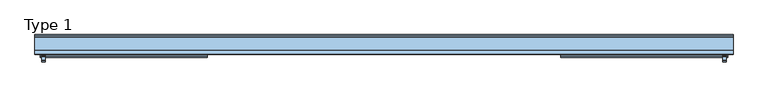
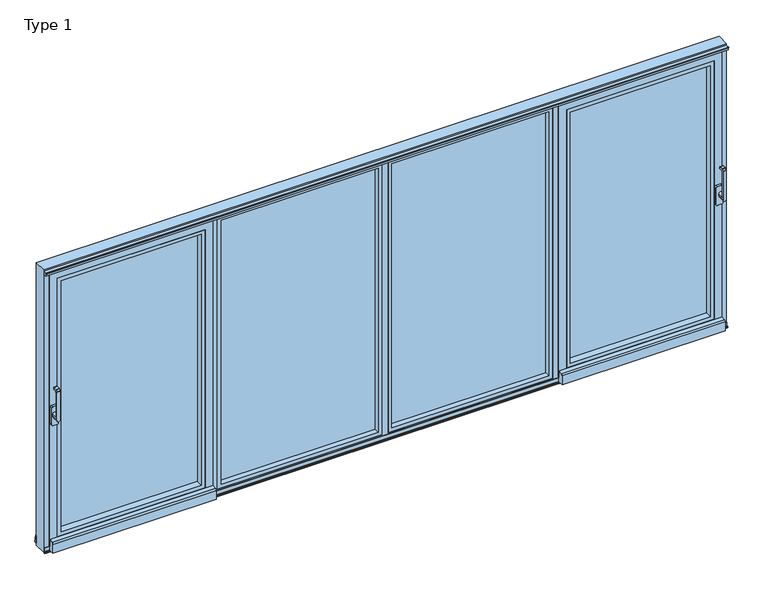
"""IFC4 building model written with IfcOpenShell, lengths in millimetres: window geometry, Type 1."""

from ifc_helpers import new_model, si_unit, point, frame, frame_2d, origin, place, context, project, spatial, polyline, circle_curve, trimmed, segment, composite_curve, outline, extrude, faceted_brep, source, transform, mapped, element, save
from ifc_brep_helpers import plane_surface, cylinder_surface, revolved_surface, advanced_brep


def type_1_f59e09ca(model_context):
    return source(origin(), model_context, "Body", "SolidModel", [
        advanced_brep(
        [(-2441.5, -24.481016, 1279.4856576), (-2441.5, -24.481016, 1060.0), (-2417.5, -24.481016, 1060.0), (-2417.5, -24.481016, 1279.4856576), (-2441.5, 31.000412, 1060.0), (-2441.5, 31.000412, 1076.0), (-2417.5, 31.000412, 1076.0), (-2417.5, 31.000412, 1060.0), (-2417.5, -12.481016, 1269.8990577), (-2417.5, -12.481016, 1076.0), (-2441.5, -12.481016, 1076.0), (-2441.5, -12.481016, 1269.8990577), (-2441.5, -5.130356, 1277.2497177), (-2417.5, -5.130356, 1277.2497177), (-2441.5, 15.518984, 1277.2497177), (-2417.5, 15.518984, 1277.2497177), (-2441.5, 17.518984, 1279.2497177), (-2417.5, 17.518984, 1279.2497177), (-2441.5, 17.518984, 1290.2497177), (-2417.5, 17.518984, 1290.2497177), (-2441.5, 15.518984, 1292.2497177), (-2417.5, 15.518984, 1292.2497177), (-2441.5, -11.7169559, 1292.2497177), (-2417.5, -11.7169559, 1292.2497177), (-2441.5, -13.1311695, 1291.6639313), (-2417.5, -13.1311695, 1291.6639313), (-2441.5, -23.8952296, 1280.8998712), (-2417.5, -23.8952296, 1280.8998712)],
        [
            (0, 1),
            (1, 2, circle_curve(frame((-2429.5, -24.481016, 1060.0), z_axis=(0.0, -1.0, 0.0), x_axis=(-1.0000000000000004, 0.0, 0.0)), 12.0)),
            (2, 3),
            (3, 0),
            (4, 5),
            (5, 6, circle_curve(frame((-2429.5, 31.000412, 1076.0), z_axis=(0.0, 1.0, 0.0), x_axis=(-1.0000000000000004, 0.0, 0.0)), 12.0)),
            (6, 7),
            (7, 4, circle_curve(frame((-2429.5, 31.000412, 1060.0), z_axis=(0.0, 1.0, 0.0), x_axis=(-1.0000000000000004, 0.0, 0.0)), 12.0)),
            (7, 2),
            (1, 4),
            (8, 9),
            (9, 10, circle_curve(frame((-2429.5, -12.481016, 1076.0), z_axis=(0.0, -1.0, 0.0), x_axis=(-1.0000000000000004, 0.0, 0.0)), 12.0)),
            (10, 11),
            (11, 8),
            (12, 13),
            (13, 8, circle_curve(frame((-2417.5, -5.130356, 1269.8990577), z_axis=(1.0, 0.0, 0.0), x_axis=(0.0, 0.0, -1.0)), 7.35066)),
            (11, 12, circle_curve(frame((-2441.5, -5.130356, 1269.8990577), z_axis=(-1.0, 0.0, 0.0), x_axis=(0.0, 0.0, -1.0)), 7.35066)),
            (14, 15),
            (15, 13),
            (12, 14),
            (16, 17),
            (17, 15, circle_curve(frame((-2417.5, 15.518984, 1279.2497177), z_axis=(-1.0, 0.0, 0.0), x_axis=(0.0, 0.0, -1.0)), 2.0)),
            (14, 16, circle_curve(frame((-2441.5, 15.518984, 1279.2497177), z_axis=(1.0, 0.0, 0.0), x_axis=(0.0, 0.0, -1.0)), 2.0)),
            (18, 19),
            (19, 17),
            (16, 18),
            (20, 21),
            (21, 19, circle_curve(frame((-2417.5, 15.518984, 1290.2497177), z_axis=(-1.0, 0.0, 0.0), x_axis=(0.0, 0.0, -1.0)), 2.0)),
            (18, 20, circle_curve(frame((-2441.5, 15.518984, 1290.2497177), z_axis=(1.0, 0.0, 0.0), x_axis=(0.0, 0.0, -1.0)), 2.0)),
            (22, 23),
            (23, 21),
            (20, 22),
            (24, 25),
            (25, 23, circle_curve(frame((-2417.5, -11.7169559, 1290.2497177), z_axis=(-1.0, 0.0, 0.0), x_axis=(0.0, 0.0, -1.0)), 2.0)),
            (22, 24, circle_curve(frame((-2441.5, -11.7169559, 1290.2497177), z_axis=(1.0, 0.0, 0.0), x_axis=(0.0, 0.0, -1.0)), 2.0)),
            (26, 27),
            (27, 25),
            (24, 26),
            (3, 27, circle_curve(frame((-2417.5, -22.481016, 1279.4856576), z_axis=(-1.0, 0.0, 0.0), x_axis=(0.0, 0.0, -1.0)), 2.0)),
            (26, 0, circle_curve(frame((-2441.5, -22.481016, 1279.4856576), z_axis=(1.0, 0.0, 0.0), x_axis=(0.0, 0.0, -1.0)), 2.0)),
            (10, 5),
            (9, 6),
        ],
        [
            plane_surface(frame((-2441.5, -24.481016, 1078.0), z_axis=(0.0, -1.0, 0.0), x_axis=(0.0, 0.0, 1.0))),
            plane_surface(frame((-2441.5, 31.000412, 1078.0), z_axis=(0.0, 1.0, 0.0), x_axis=(0.0, 0.0, -1.0))),
            cylinder_surface(frame((-2429.5, 31.000412, 1060.0), z_axis=(0.0, -1.0000000000000004, 0.0), x_axis=(-1.0000000000000004, 0.0, 0.0)), 12.0),
            plane_surface(frame((-2441.5, -12.481016, 1060.0), z_axis=(0.0, 1.0, 0.0), x_axis=(1.0, 0.0, 0.0))),
            revolved_surface(polyline([(-2417.5, -5.130356, 1262.5483977), (-2441.5, -5.130356, 1262.5483977)]), (-2417.5, -5.130356, 1269.8990577), (1.0000000000000004, 0.0, 0.0)),
            plane_surface(frame((-2441.5, -5.130356, 1277.2497177), z_axis=(0.0, 0.0, -1.0), x_axis=(1.0, 0.0, 0.0))),
            cylinder_surface(frame((-2417.5, 15.518984, 1279.2497177), z_axis=(-1.0000000000000004, 0.0, 0.0), x_axis=(0.0, 0.0, -1.0)), 2.0),
            plane_surface(frame((-2441.5, 17.518984, 1279.2497177), z_axis=(0.0, 1.0, 0.0), x_axis=(1.0, 0.0, 0.0))),
            cylinder_surface(frame((-2417.5, 15.518984, 1290.2497177), z_axis=(-1.0000000000000004, 0.0, 0.0), x_axis=(0.0, 0.0, -1.0)), 2.0),
            plane_surface(frame((-2441.5, 15.518984, 1292.2497177), z_axis=(0.0, 0.0, 1.0), x_axis=(1.0, 0.0, 0.0))),
            cylinder_surface(frame((-2417.5, -11.7169559, 1290.2497177), z_axis=(-1.0000000000000004, 0.0, 0.0), x_axis=(0.0, 0.0, -1.0)), 2.0),
            plane_surface(frame((-2441.5, -13.1311695, 1291.6639313), z_axis=(0.0, -0.7071067811865431, 0.7071067811865518), x_axis=(1.0, 0.0, 0.0))),
            cylinder_surface(frame((-2417.5, -22.481016, 1279.4856576), z_axis=(-1.0000000000000004, 0.0, 0.0), x_axis=(0.0, 0.0, -1.0)), 2.0),
            plane_surface(frame((-2441.5, -24.481016, 1060.0), z_axis=(-1.0, 0.0, 0.0), x_axis=(0.0, 1.0, 0.0))),
            cylinder_surface(frame((-2429.5, 31.000412, 1076.0), z_axis=(0.0, -1.0000000000000004, 0.0), x_axis=(-1.0000000000000004, 0.0, 0.0)), 12.0),
            plane_surface(frame((-2417.5, -24.481016, 1076.0), z_axis=(1.0, 0.0, 0.0), x_axis=(0.0, 1.0, 0.0))),
        ],
        [
            (0, [[1, 2, 3, 4]]),
            (1, [[5, 6, 7, 8]]),
            (2, [[-8, 9, -2, 10]]),
            (3, [[11, 12, 13, 14]]),
            (4, [[15, 16, -14, 17]]),
            (5, [[18, 19, -15, 20]]),
            (6, [[21, 22, -18, 23]]),
            (7, [[24, 25, -21, 26]]),
            (8, [[27, 28, -24, 29]]),
            (9, [[30, 31, -27, 32]]),
            (10, [[33, 34, -30, 35]]),
            (11, [[36, 37, -33, 38]]),
            (12, [[-4, 39, -36, 40]]),
            (13, [[-40, -38, -35, -32, -29, -26, -23, -20, -17, -13, 41, -5, -10, -1]]),
            (14, [[-41, -12, 42, -6]]),
            (15, [[-9, -7, -42, -11, -16, -19, -22, -25, -28, -31, -34, -37, -39, -3]]),
        ],
    ),
        extrude(outline(composite_curve([segment(trimmed(circle_curve(frame_2d((1124.8499908, -2440.4500122)), 7.0), [point((1131.8499908, -2440.4500122))], [point((1124.8499908, -2447.4500122))], False, "CARTESIAN"), True, "CONTINUOUS"), segment(polyline([(1124.8499908, -2447.4500122), (995.1500092, -2447.4500122)]), True, "CONTINUOUS"), segment(trimmed(circle_curve(frame_2d((995.1500092, -2440.4500122)), 7.0), [point((995.1500092, -2447.4500122))], [point((988.1500092, -2440.4500122))], False, "CARTESIAN"), True, "CONTINUOUS"), segment(polyline([(988.1500092, -2440.4500122), (988.1500092, -2406.5499878)]), True, "CONTINUOUS"), segment(trimmed(circle_curve(frame_2d((995.1500092, -2406.5499878)), 7.0), [point((988.1500092, -2406.5499878))], [point((995.1500092, -2399.5499878))], False, "CARTESIAN"), True, "CONTINUOUS"), segment(polyline([(995.1500092, -2399.5499878), (1124.8499908, -2399.5499878)]), True, "CONTINUOUS"), segment(trimmed(circle_curve(frame_2d((1124.8499908, -2406.5499878)), 7.0), [point((1124.8499908, -2399.5499878))], [point((1131.8499908, -2406.5499878))], False, "CARTESIAN"), True, "CONTINUOUS"), segment(polyline([(1131.8499908, -2406.5499878), (1131.8499908, -2440.4500122)]), True, "CONTINUOUS")], self_intersect=False)), frame((0.0, 31.000412, 0.0), z_axis=(0.0, 1.0, 0.0), x_axis=(0.0, 0.0, 1.0)), (0.0, 0.0, 1.0), 18.9999542),
        extrude(outline(polyline([(2095.0004272, -1317.9995728), (2095.0004272, -2395.0004272), (104.9995728, -2395.0004272), (104.9995728, -1317.9995728), (2095.0004272, -1317.9995728)]), holes=[polyline([(131.9995728, -1344.9995728), (131.9995728, -2368.0004272), (2068.0004272, -2368.0004272), (2068.0004272, -1344.9995728), (131.9995728, -1344.9995728)])]), frame((0.0, 50.0003662, 0.0), z_axis=(0.0, 1.0, 0.0), x_axis=(0.0, 0.0, 1.0)), (0.0, 0.0, 1.0), 50.9995338),
        extrude(outline(polyline([(-1325.999939, 101.0004798), (-2387.000061, 101.0004798), (-2387.000061, 139.0004798), (-1325.999939, 139.0004798), (-1325.999939, 101.0004798)])), frame((0.0, 0.0, 112.999939), z_axis=(0.0, 0.0, 1.0), x_axis=(1.0, 0.0, 0.0)), (0.0, 0.0, 1.0), 1974.0001221),
        faceted_brep([(-2395.0004272, 101.0004798, 2095.0004272), (-2395.0004272, 50.0003662, 2095.0004272), (-2395.0004272, 50.0003662, 104.9995728), (-2395.0004272, 101.0004798, 104.9995728), (-2451.0004272, 50.0003662, 48.9995728), (-1261.9995728, 50.0003662, 48.9995728), (-1261.9995728, 50.0003662, 2151.0004272), (-2451.0004272, 50.0003662, 2151.0004272), (-1317.9995728, 50.0003662, 2095.0004272), (-1317.9995728, 50.0003662, 104.9995728), (-1317.9995728, 101.0004798, 104.9995728), (-1317.9995728, 101.0004798, 2095.0004272), (-2387.000061, 101.0004798, 2087.000061), (-1325.999939, 101.0004798, 2087.000061), (-1325.999939, 101.0004798, 112.999939), (-2387.000061, 101.0004798, 112.999939), (-2387.000061, 139.0004798, 2087.000061), (-2387.000061, 139.0004798, 112.999939), (-1325.999939, 139.0004798, 112.999939), (-1325.999939, 139.0004798, 2087.000061), (-2373.0004272, 139.0004798, 2073.0004272), (-1339.9995728, 139.0004798, 2073.0004272), (-1339.9995728, 139.0004798, 126.9995728), (-2373.0004272, 139.0004798, 126.9995728), (-2373.0004272, 150.0008469, 2073.0004272), (-2373.0004272, 150.0008469, 126.9995728), (-1339.9995728, 150.0008469, 126.9995728), (-2409.001666, 150.0008469, 2109.001666), (-1303.998334, 150.0008469, 2109.001666), (-1303.998334, 150.0008469, 90.998334), (-2409.001666, 150.0008469, 90.998334), (-1339.9995728, 150.0008469, 2073.0004272), (-2409.001666, 145.0008469, 90.998334), (-1303.998334, 145.0008469, 90.998334), (-1303.998334, 145.0008469, 2109.001666), (-2431.0004272, 145.0008469, 2131.0004272), (-1281.9995728, 145.0008469, 2131.0004272), (-1281.9995728, 145.0008469, 68.9995728), (-2431.0004272, 145.0008469, 68.9995728), (-2409.001666, 145.0008469, 2109.001666), (-2431.0004272, 60.0, 68.9995728), (-1281.9995728, 60.0, 68.9995728), (-1281.9995728, 60.0, 2131.0004272), (-2451.0004272, 60.0, 2151.0004272), (-1261.9995728, 60.0, 2151.0004272), (-1261.9995728, 60.0, 48.9995728), (-2451.0004272, 60.0, 48.9995728), (-2431.0004272, 60.0, 2131.0004272)], [[[0, 1, 2, 3]], [[4, 5, 6, 7], [1, 8, 9, 2]], [[3, 2, 9, 10]], [[3, 10, 11, 0], [12, 13, 14, 15]], [[16, 12, 15, 17]], [[17, 15, 14, 18]], [[17, 18, 19, 16], [20, 21, 22, 23]], [[24, 20, 23, 25]], [[25, 23, 22, 26]], [[27, 28, 29, 30], [25, 26, 31, 24]], [[10, 9, 8, 11]], [[18, 14, 13, 19]], [[26, 22, 21, 31]], [[32, 30, 29, 33]], [[33, 29, 28, 34]], [[35, 36, 37, 38], [32, 33, 34, 39]], [[40, 38, 37, 41]], [[41, 37, 36, 42]], [[43, 44, 45, 46], [40, 41, 42, 47]], [[4, 46, 45, 5]], [[5, 45, 44, 6]], [[11, 8, 1, 0]], [[19, 13, 12, 16]], [[31, 21, 20, 24]], [[34, 28, 27, 39]], [[42, 36, 35, 47]], [[6, 44, 43, 7]], [[39, 27, 30, 32]], [[47, 35, 38, 40]], [[7, 43, 46, 4]]]),
        extrude(outline(composite_curve([segment(polyline([(19.7435257, 99.4362874), (50.0003662, 102.0834169), (50.0003662, 19.2739514), (9.1103627, 19.2739514), (9.1103627, 87.8322266)]), True, "CONTINUOUS"), segment(trimmed(circle_curve(frame_2d((20.7587491, 87.8322266)), 11.6483864), [point((9.1103627, 87.8322266))], [point((19.7435257, 99.4362874))], False, "CARTESIAN"), True, "CONTINUOUS")], self_intersect=False)), frame((-2451.0004272, 0.0, 0.0), z_axis=(1.0, 0.0, 0.0), x_axis=(0.0, 1.0, 0.0)), (0.0, 0.0, 1.0), 1189.0008545),
        advanced_brep(
        [(2441.5, -24.481016, 1279.4856576), (2417.5, -24.481016, 1279.4856576), (2417.5, -24.481016, 1060.0), (2441.5, -24.481016, 1060.0), (2441.5, 31.000412, 1060.0), (2417.5, 31.000412, 1060.0), (2417.5, 31.000412, 1076.0), (2441.5, 31.000412, 1076.0), (2417.5, -12.481016, 1269.8990577), (2441.5, -12.481016, 1269.8990577), (2441.5, -12.481016, 1076.0), (2417.5, -12.481016, 1076.0), (2441.5, -5.130356, 1277.2497177), (2417.5, -5.130356, 1277.2497177), (2441.5, 15.518984, 1277.2497177), (2417.5, 15.518984, 1277.2497177), (2441.5, 17.518984, 1279.2497177), (2417.5, 17.518984, 1279.2497177), (2441.5, 17.518984, 1290.2497177), (2417.5, 17.518984, 1290.2497177), (2441.5, 15.518984, 1292.2497177), (2417.5, 15.518984, 1292.2497177), (2441.5, -11.7169559, 1292.2497177), (2417.5, -11.7169559, 1292.2497177), (2441.5, -13.1311695, 1291.6639313), (2417.5, -13.1311695, 1291.6639313), (2441.5, -23.8952296, 1280.8998712), (2417.5, -23.8952296, 1280.8998712)],
        [
            (0, 1),
            (1, 2),
            (2, 3, circle_curve(frame((2429.5, -24.481016, 1060.0), z_axis=(0.0, -1.0, 0.0), x_axis=(1.0000000000000004, 0.0, 0.0)), 12.0)),
            (3, 0),
            (4, 5, circle_curve(frame((2429.5, 31.000412, 1060.0), z_axis=(0.0, 1.0, 0.0), x_axis=(1.0000000000000004, 0.0, 0.0)), 12.0)),
            (5, 6),
            (6, 7, circle_curve(frame((2429.5, 31.000412, 1076.0), z_axis=(0.0, 1.0, 0.0), x_axis=(1.0000000000000004, 0.0, 0.0)), 12.0)),
            (7, 4),
            (4, 3),
            (2, 5),
            (8, 9),
            (9, 10),
            (10, 11, circle_curve(frame((2429.5, -12.481016, 1076.0), z_axis=(0.0, -1.0, 0.0), x_axis=(1.0000000000000004, 0.0, 0.0)), 12.0)),
            (11, 8),
            (12, 9, circle_curve(frame((2441.5, -5.130356, 1269.8990577), z_axis=(1.0, 0.0, 0.0), x_axis=(0.0, 0.0, -1.0)), 7.35066)),
            (8, 13, circle_curve(frame((2417.5, -5.130356, 1269.8990577), z_axis=(-1.0, 0.0, 0.0), x_axis=(0.0, 0.0, -1.0)), 7.35066)),
            (13, 12),
            (14, 12),
            (13, 15),
            (15, 14),
            (16, 14, circle_curve(frame((2441.5, 15.518984, 1279.2497177), z_axis=(-1.0, 0.0, 0.0), x_axis=(0.0, 0.0, -1.0)), 2.0)),
            (15, 17, circle_curve(frame((2417.5, 15.518984, 1279.2497177), z_axis=(1.0, 0.0, 0.0), x_axis=(0.0, 0.0, -1.0)), 2.0)),
            (17, 16),
            (18, 16),
            (17, 19),
            (19, 18),
            (20, 18, circle_curve(frame((2441.5, 15.518984, 1290.2497177), z_axis=(-1.0, 0.0, 0.0), x_axis=(0.0, 0.0, -1.0)), 2.0)),
            (19, 21, circle_curve(frame((2417.5, 15.518984, 1290.2497177), z_axis=(1.0, 0.0, 0.0), x_axis=(0.0, 0.0, -1.0)), 2.0)),
            (21, 20),
            (22, 20),
            (21, 23),
            (23, 22),
            (24, 22, circle_curve(frame((2441.5, -11.7169559, 1290.2497177), z_axis=(-1.0, 0.0, 0.0), x_axis=(0.0, 0.0, -1.0)), 2.0)),
            (23, 25, circle_curve(frame((2417.5, -11.7169559, 1290.2497177), z_axis=(1.0, 0.0, 0.0), x_axis=(0.0, 0.0, -1.0)), 2.0)),
            (25, 24),
            (26, 24),
            (25, 27),
            (27, 26),
            (0, 26, circle_curve(frame((2441.5, -22.481016, 1279.4856576), z_axis=(-1.0, 0.0, 0.0), x_axis=(0.0, 0.0, -1.0)), 2.0)),
            (27, 1, circle_curve(frame((2417.5, -22.481016, 1279.4856576), z_axis=(1.0, 0.0, 0.0), x_axis=(0.0, 0.0, -1.0)), 2.0)),
            (7, 10),
            (6, 11),
        ],
        [
            plane_surface(frame((2441.5, -24.481016, 1078.0), z_axis=(0.0, -1.0, 0.0), x_axis=(0.0, 0.0, 1.0))),
            plane_surface(frame((2441.5, 31.000412, 1078.0), z_axis=(0.0, 1.0, 0.0), x_axis=(0.0, 0.0, -1.0))),
            cylinder_surface(frame((2429.5, 31.000412, 1060.0), z_axis=(0.0, -1.0000000000000004, 0.0), x_axis=(1.0000000000000004, 0.0, 0.0)), 12.0),
            plane_surface(frame((2441.5, -12.481016, 1060.0), z_axis=(0.0, 1.0, 0.0), x_axis=(-1.0, 0.0, 0.0))),
            revolved_surface(polyline([(2417.5, -5.130356, 1262.5483977), (2441.5, -5.130356, 1262.5483977)]), (2417.5, -5.130356, 1269.8990577), (-1.0000000000000004, 0.0, 0.0)),
            plane_surface(frame((2441.5, -5.130356, 1277.2497177), z_axis=(0.0, 0.0, -1.0), x_axis=(-1.0, 0.0, 0.0))),
            cylinder_surface(frame((2417.5, 15.518984, 1279.2497177), z_axis=(1.0000000000000004, 0.0, 0.0), x_axis=(0.0, 0.0, -1.0)), 2.0),
            plane_surface(frame((2441.5, 17.518984, 1279.2497177), z_axis=(0.0, 1.0, 0.0), x_axis=(-1.0, 0.0, 0.0))),
            cylinder_surface(frame((2417.5, 15.518984, 1290.2497177), z_axis=(1.0000000000000004, 0.0, 0.0), x_axis=(0.0, 0.0, -1.0)), 2.0),
            plane_surface(frame((2441.5, 15.518984, 1292.2497177), z_axis=(0.0, 0.0, 1.0), x_axis=(-1.0, 0.0, 0.0))),
            cylinder_surface(frame((2417.5, -11.7169559, 1290.2497177), z_axis=(1.0000000000000004, 0.0, 0.0), x_axis=(0.0, 0.0, -1.0)), 2.0),
            plane_surface(frame((2441.5, -13.1311695, 1291.6639313), z_axis=(0.0, -0.7071067811865431, 0.7071067811865518), x_axis=(-1.0, 0.0, 0.0))),
            cylinder_surface(frame((2417.5, -22.481016, 1279.4856576), z_axis=(1.0000000000000004, 0.0, 0.0), x_axis=(0.0, 0.0, -1.0)), 2.0),
            plane_surface(frame((2441.5, -24.481016, 1060.0), z_axis=(1.0, 0.0, 0.0), x_axis=(0.0, 1.0, 0.0))),
            cylinder_surface(frame((2429.5, 31.000412, 1076.0), z_axis=(0.0, -1.0000000000000004, 0.0), x_axis=(1.0000000000000004, 0.0, 0.0)), 12.0),
            plane_surface(frame((2417.5, -24.481016, 1076.0), z_axis=(-1.0, 0.0, 0.0), x_axis=(0.0, 1.0, 0.0))),
        ],
        [
            (0, [[1, 2, 3, 4]]),
            (1, [[5, 6, 7, 8]]),
            (2, [[9, -3, 10, -5]]),
            (3, [[11, 12, 13, 14]]),
            (4, [[15, -11, 16, 17]]),
            (5, [[18, -17, 19, 20]]),
            (6, [[21, -20, 22, 23]]),
            (7, [[24, -23, 25, 26]]),
            (8, [[27, -26, 28, 29]]),
            (9, [[30, -29, 31, 32]]),
            (10, [[33, -32, 34, 35]]),
            (11, [[36, -35, 37, 38]]),
            (12, [[39, -38, 40, -1]]),
            (13, [[-4, -9, -8, 41, -12, -15, -18, -21, -24, -27, -30, -33, -36, -39]]),
            (14, [[-7, 42, -13, -41]]),
            (15, [[-2, -40, -37, -34, -31, -28, -25, -22, -19, -16, -14, -42, -6, -10]]),
        ],
    ),
        extrude(outline(composite_curve([segment(polyline([(1131.8499908, 2440.4500122), (1131.8499908, 2406.5499878)]), True, "CONTINUOUS"), segment(trimmed(circle_curve(frame_2d((1124.8499908, 2406.5499878)), 7.0), [point((1131.8499908, 2406.5499878))], [point((1124.8499908, 2399.5499878))], False, "CARTESIAN"), True, "CONTINUOUS"), segment(polyline([(1124.8499908, 2399.5499878), (995.1500092, 2399.5499878)]), True, "CONTINUOUS"), segment(trimmed(circle_curve(frame_2d((995.1500092, 2406.5499878)), 7.0), [point((995.1500092, 2399.5499878))], [point((988.1500092, 2406.5499878))], False, "CARTESIAN"), True, "CONTINUOUS"), segment(polyline([(988.1500092, 2406.5499878), (988.1500092, 2440.4500122)]), True, "CONTINUOUS"), segment(trimmed(circle_curve(frame_2d((995.1500092, 2440.4500122)), 7.0), [point((988.1500092, 2440.4500122))], [point((995.1500092, 2447.4500122))], False, "CARTESIAN"), True, "CONTINUOUS"), segment(polyline([(995.1500092, 2447.4500122), (1124.8499908, 2447.4500122)]), True, "CONTINUOUS"), segment(trimmed(circle_curve(frame_2d((1124.8499908, 2440.4500122)), 7.0), [point((1124.8499908, 2447.4500122))], [point((1131.8499908, 2440.4500122))], False, "CARTESIAN"), True, "CONTINUOUS")], self_intersect=False)), frame((0.0, 31.000412, 0.0), z_axis=(0.0, 1.0, 0.0), x_axis=(0.0, 0.0, 1.0)), (0.0, 0.0, 1.0), 18.9999542),
        extrude(outline(polyline([(2095.0004272, 1317.9995728), (104.9995728, 1317.9995728), (104.9995728, 2395.0004272), (2095.0004272, 2395.0004272), (2095.0004272, 1317.9995728)]), holes=[polyline([(131.9995728, 1344.9995728), (2068.0004272, 1344.9995728), (2068.0004272, 2368.0004272), (131.9995728, 2368.0004272), (131.9995728, 1344.9995728)])]), frame((0.0, 50.0003662, 0.0), z_axis=(0.0, 1.0, 0.0), x_axis=(0.0, 0.0, 1.0)), (0.0, 0.0, 1.0), 50.9995338),
        extrude(outline(polyline([(1325.999939, 101.0004798), (1325.999939, 139.0004798), (2387.000061, 139.0004798), (2387.000061, 101.0004798), (1325.999939, 101.0004798)])), frame((0.0, 0.0, 112.999939), z_axis=(0.0, 0.0, 1.0), x_axis=(1.0, 0.0, 0.0)), (0.0, 0.0, 1.0), 1974.0001221),
        faceted_brep([(2395.0004272, 101.0004798, 2095.0004272), (2395.0004272, 101.0004798, 104.9995728), (2395.0004272, 50.0003662, 104.9995728), (2395.0004272, 50.0003662, 2095.0004272), (2451.0004272, 50.0003662, 48.9995728), (2451.0004272, 50.0003662, 2151.0004272), (1261.9995728, 50.0003662, 2151.0004272), (1261.9995728, 50.0003662, 48.9995728), (1317.9995728, 50.0003662, 104.9995728), (1317.9995728, 50.0003662, 2095.0004272), (1317.9995728, 101.0004798, 104.9995728), (1317.9995728, 101.0004798, 2095.0004272), (2387.000061, 101.0004798, 2087.000061), (2387.000061, 101.0004798, 112.999939), (1325.999939, 101.0004798, 112.999939), (1325.999939, 101.0004798, 2087.000061), (2387.000061, 139.0004798, 2087.000061), (2387.000061, 139.0004798, 112.999939), (1325.999939, 139.0004798, 112.999939), (1325.999939, 139.0004798, 2087.000061), (2373.0004272, 139.0004798, 2073.0004272), (2373.0004272, 139.0004798, 126.9995728), (1339.9995728, 139.0004798, 126.9995728), (1339.9995728, 139.0004798, 2073.0004272), (2373.0004272, 150.0008469, 2073.0004272), (2373.0004272, 150.0008469, 126.9995728), (1339.9995728, 150.0008469, 126.9995728), (2409.001666, 150.0008469, 2109.001666), (2409.001666, 150.0008469, 90.998334), (1303.998334, 150.0008469, 90.998334), (1303.998334, 150.0008469, 2109.001666), (1339.9995728, 150.0008469, 2073.0004272), (2409.001666, 145.0008469, 90.998334), (1303.998334, 145.0008469, 90.998334), (1303.998334, 145.0008469, 2109.001666), (2431.0004272, 145.0008469, 2131.0004272), (2431.0004272, 145.0008469, 68.9995728), (1281.9995728, 145.0008469, 68.9995728), (1281.9995728, 145.0008469, 2131.0004272), (2409.001666, 145.0008469, 2109.001666), (2431.0004272, 60.0, 68.9995728), (1281.9995728, 60.0, 68.9995728), (1281.9995728, 60.0, 2131.0004272), (2451.0004272, 60.0, 2151.0004272), (2451.0004272, 60.0, 48.9995728), (1261.9995728, 60.0, 48.9995728), (1261.9995728, 60.0, 2151.0004272), (2431.0004272, 60.0, 2131.0004272)], [[[0, 1, 2, 3]], [[4, 5, 6, 7], [3, 2, 8, 9]], [[1, 10, 8, 2]], [[1, 0, 11, 10], [12, 13, 14, 15]], [[16, 17, 13, 12]], [[17, 18, 14, 13]], [[17, 16, 19, 18], [20, 21, 22, 23]], [[24, 25, 21, 20]], [[25, 26, 22, 21]], [[27, 28, 29, 30], [25, 24, 31, 26]], [[10, 11, 9, 8]], [[18, 19, 15, 14]], [[26, 31, 23, 22]], [[32, 33, 29, 28]], [[33, 34, 30, 29]], [[35, 36, 37, 38], [32, 39, 34, 33]], [[40, 41, 37, 36]], [[41, 42, 38, 37]], [[43, 44, 45, 46], [40, 47, 42, 41]], [[4, 7, 45, 44]], [[7, 6, 46, 45]], [[11, 0, 3, 9]], [[19, 16, 12, 15]], [[31, 24, 20, 23]], [[34, 39, 27, 30]], [[42, 47, 35, 38]], [[6, 5, 43, 46]], [[39, 32, 28, 27]], [[47, 40, 36, 35]], [[5, 4, 44, 43]]]),
        extrude(outline(composite_curve([segment(polyline([(19.7435257, 99.4362874), (50.0003662, 102.0834169), (50.0003662, 19.2739514), (9.1103627, 19.2739514), (9.1103627, 87.8322266)]), True, "CONTINUOUS"), segment(trimmed(circle_curve(frame_2d((20.7587491, 87.8322266)), 11.6483864), [point((9.1103627, 87.8322266))], [point((19.7435257, 99.4362874))], False, "CARTESIAN"), True, "CONTINUOUS")], self_intersect=False)), frame((1261.9995728, 0.0, 0.0), z_axis=(1.0, 0.0, 0.0), x_axis=(0.0, 1.0, 0.0)), (0.0, 0.0, 1.0), 1189.0008545),
        extrude(outline(polyline([(53.9999924, -21.9999924), (2146.0000076, -21.9999924), (2146.0000076, -1223.0000076), (53.9999924, -1223.0000076), (53.9999924, -21.9999924)]), holes=[polyline([(2119.0000076, -48.9999924), (80.9999924, -48.9999924), (80.9999924, -1196.0000076), (2119.0000076, -1196.0000076), (2119.0000076, -48.9999924)])]), frame((0.0, 60.0, 0.0), z_axis=(0.0, 1.0, 0.0), x_axis=(0.0, 0.0, 1.0)), (0.0, 0.0, 1.0), 41.0003004),
        extrude(outline(polyline([(2146.0000076, 21.9999924), (53.9999924, 21.9999924), (53.9999924, 1223.0000076), (2146.0000076, 1223.0000076), (2146.0000076, 21.9999924)]), holes=[polyline([(80.9999924, 48.9999924), (2119.0000076, 48.9999924), (2119.0000076, 1196.0000076), (80.9999924, 1196.0000076), (80.9999924, 48.9999924)])]), frame((0.0, 60.0, 0.0), z_axis=(0.0, 1.0, 0.0), x_axis=(0.0, 0.0, 1.0)), (0.0, 0.0, 1.0), 40.9998378),
        faceted_brep([(2490.0, 150.0, 10.0), (-2490.0, 150.0, 10.0), (-2490.0, 150.0, 2190.0), (2490.0, 150.0, 2190.0), (-2416.0, 150.0, 84.0), (-1296.9956285, 150.0, 84.0), (-1296.9956285, 150.0, 2116.0), (-2416.0, 150.0, 2116.0), (2416.0, 150.0, 2116.0), (1296.9956285, 150.0, 2116.0), (1296.9956285, 150.0, 84.0), (2416.0, 150.0, 84.0), (-1192.9956285, 150.0, 84.0), (-51.9999996, 150.0, 84.0), (-51.9999996, 150.0, 2116.0), (-1192.9956285, 150.0, 2116.0), (1192.9956285, 150.0, 2116.0), (52.0000004, 150.0, 2116.0), (52.0000004, 150.0, 84.0), (1192.9956285, 150.0, 84.0), (2416.0, 145.0004398, 84.0), (2416.0, 145.0004398, 2116.0), (1296.9956285, 145.0004398, 84.0), (-2416.0, 145.0004398, 84.0), (-1296.9956285, 145.0004398, 84.0), (-1193.0000004, 139.0014365, 84.0), (-51.9999996, 139.0014365, 84.0), (52.0000004, 139.0014365, 84.0), (1192.9999996, 139.0014365, 84.0), (2490.0, 60.0, 2190.0), (2490.0, 60.0, 10.0), (-2490.0, 60.0, 10.0), (-2490.0, 60.0, 2190.0), (2446.000127, 60.0, 53.999873), (1266.9999365, 60.0, 53.999873), (1266.9999365, 60.0, 2146.000127), (2446.000127, 60.0, 2146.000127), (1223.0000635, 60.0, 53.999873), (21.9999365, 60.0, 53.999873), (21.9999365, 60.0, 2146.000127), (1223.0000635, 60.0, 2146.000127), (-2446.000127, 60.0, 2146.000127), (-1266.9999365, 60.0, 2146.000127), (-1266.9999365, 60.0, 53.999873), (-2446.000127, 60.0, 53.999873), (-1223.0000635, 60.0, 2146.000127), (-21.9999365, 60.0, 2146.000127), (-21.9999365, 60.0, 53.999873), (-1223.0000635, 60.0, 53.999873), (-1296.9956285, 145.0004398, 2116.0), (-2416.0, 145.0004398, 2116.0), (-1192.9956285, 139.0014365, 2116.0000004), (1192.9956285, 139.0014365, 2115.9999996), (-2446.000127, 145.0004398, 53.999873), (-1266.9999365, 145.0004398, 53.999873), (-1266.9999365, 145.0004398, 2146.000127), (-2446.000127, 145.0004398, 2146.000127), (2446.000127, 145.0004398, 2146.000127), (1266.9999365, 145.0004398, 2146.000127), (1266.9999365, 145.0004398, 53.999873), (2446.000127, 145.0004398, 53.999873), (1296.9956285, 145.0004398, 2116.0), (1223.0000635, 101.0003004, 53.999873), (21.9999365, 101.0003004, 53.999873), (-21.9999365, 101.0003004, 53.999873), (-1223.0000635, 101.0003004, 53.999873), (-1223.0000635, 101.0003004, 2146.000127), (1223.0000635, 101.0003004, 2146.000127), (21.9999365, 101.0003004, 2146.000127), (-21.9999365, 101.0003004, 2146.000127), (52.0000004, 139.0014365, 2116.0), (-51.9999996, 139.0014365, 2116.0), (-29.9998575, 139.0014365, 2138.0001425), (-1215.0001425, 139.0014365, 2138.0001425), (-1215.0001425, 139.0014365, 61.9998575), (-29.9998575, 139.0014365, 61.9998575), (29.9998575, 139.0014365, 61.9998575), (1215.0001425, 139.0014365, 61.9998575), (1215.0001425, 139.0014365, 2138.0001425), (29.9998575, 139.0014365, 2138.0001425), (29.9998575, 101.0003004, 2138.0001425), (1215.0001425, 101.0003004, 2138.0001425), (1215.0001425, 101.0003004, 61.9998575), (29.9998575, 101.0003004, 61.9998575), (-29.9998575, 101.0003004, 61.9998575), (-1215.0001425, 101.0003004, 61.9998575), (-1215.0001425, 101.0003004, 2138.0001425), (-29.9998575, 101.0003004, 2138.0001425)], [[[0, 1, 2, 3], [4, 5, 6, 7], [8, 9, 10, 11], [12, 13, 14, 15], [16, 17, 18, 19]], [[8, 11, 20, 21]], [[11, 10, 22, 20]], [[23, 24, 5, 4]], [[12, 25, 26, 13]], [[18, 27, 28, 19]], [[29, 30, 0, 3]], [[30, 31, 1, 0]], [[29, 32, 31, 30], [33, 34, 35, 36], [37, 38, 39, 40], [41, 42, 43, 44], [45, 46, 47, 48]], [[49, 6, 5, 24]], [[4, 7, 50, 23]], [[51, 25, 12, 15]], [[19, 28, 52, 16]], [[53, 54, 55, 56], [50, 49, 24, 23]], [[57, 58, 59, 60], [20, 22, 61, 21]], [[22, 10, 9, 61]], [[31, 32, 2, 1]], [[44, 53, 56, 41]], [[60, 59, 34, 33]], [[44, 43, 54, 53]], [[37, 62, 63, 38]], [[47, 64, 65, 48]], [[42, 55, 54, 43]], [[36, 57, 60, 33]], [[34, 59, 58, 35]], [[48, 65, 66, 45]], [[40, 67, 62, 37]], [[3, 2, 32, 29]], [[56, 55, 42, 41]], [[36, 35, 58, 57]], [[39, 68, 67, 40]], [[45, 66, 69, 46]], [[7, 6, 49, 50]], [[16, 52, 70, 17]], [[21, 61, 9, 8]], [[51, 15, 14, 71]], [[26, 71, 14, 13]], [[72, 73, 74, 75], [26, 25, 51, 71]], [[76, 77, 78, 79], [70, 52, 28, 27]], [[17, 70, 27, 18]], [[46, 69, 64, 47]], [[38, 63, 68, 39]], [[62, 67, 68, 63], [80, 81, 82, 83]], [[64, 69, 66, 65], [84, 85, 86, 87]], [[80, 83, 76, 79]], [[83, 82, 77, 76]], [[82, 81, 78, 77]], [[72, 75, 84, 87]], [[75, 74, 85, 84]], [[74, 73, 86, 85]], [[79, 78, 81, 80]], [[87, 86, 73, 72]]]),
        extrude(outline(polyline([(-1215.0001425, 101.0003004), (-1215.0001425, 139.0014365), (-29.9998575, 139.0014365), (-29.9998575, 101.0003004), (-1215.0001425, 101.0003004)])), frame((0.0, 0.0, 61.9998575), z_axis=(0.0, 0.0, 1.0), x_axis=(1.0, 0.0, 0.0)), (0.0, 0.0, 1.0), 2076.000285),
        extrude(outline(polyline([(29.9998575, 101.0003004), (29.9998575, 139.0014365), (1215.0001425, 139.0014365), (1215.0001425, 101.0003004), (29.9998575, 101.0003004)])), frame((0.0, 0.0, 61.9998575), z_axis=(0.0, 0.0, 1.0), x_axis=(1.0, 0.0, 0.0)), (0.0, 0.0, 1.0), 2076.000285),
        extrude(outline(composite_curve([segment(polyline([(60.0, 2178.0006641), (60.0, 2156.1025501), (35.217534, 2156.1025501), (35.217534, 2174.4849831)]), True, "CONTINUOUS"), segment(trimmed(circle_curve(frame_2d((33.1686587, 2174.4849831)), 2.0488753), [point((35.217534, 2174.4849831))], [point((32.1440644, 2176.2592708))], True, "CARTESIAN"), True, "CONTINUOUS"), segment(polyline([(32.1440644, 2176.2592708), (29.6454751, 2174.8164155)]), True, "CONTINUOUS"), segment(trimmed(circle_curve(frame_2d((29.2454173, 2175.5091948)), 0.7999934), [point((29.6454751, 2174.8164155))], [point((28.845455, 2176.2020294))], False, "CARTESIAN"), True, "CONTINUOUS"), segment(polyline([(28.845455, 2176.2020294), (31.3786793, 2177.664419)]), True, "CONTINUOUS"), segment(trimmed(circle_curve(frame_2d((32.633688, 2175.4904304)), 2.5102337), [point((31.3786793, 2177.664419))], [point((32.633688, 2178.0006641))], False, "CARTESIAN"), True, "CONTINUOUS"), segment(polyline([(32.633688, 2178.0006641), (60.0, 2178.0006641)]), True, "CONTINUOUS")], self_intersect=False)), frame((-2490.0, 0.0, 0.0), z_axis=(1.0, 0.0, 0.0), x_axis=(0.0, 1.0, 0.0)), (0.0, 0.0, 1.0), 4980.0),
        extrude(outline(polyline([(160.0002, 83.9604061), (169.9998429, 23.9604061), (150.0, 23.9604061), (150.0, 83.9604061), (160.0002, 83.9604061)])), frame((-2490.0, 0.0, 0.0), z_axis=(1.0, 0.0, 0.0), x_axis=(0.0, 1.0, 0.0)), (0.0, 0.0, 1.0), 4980.0),
        extrude(outline(polyline([(43.4998834, 13.0001167), (46.0083235, 13.0001167), (46.0083235, 20.4534802), (50.9735913, 20.4534802), (50.9735913, 13.0001167), (53.7998836, 13.0001167), (53.7998836, 44.0001167), (60.0, 44.0001167), (60.0, 10.0), (43.4998834, 10.0), (43.4998834, 13.0001167)])), frame((-2490.0, 0.0, 0.0), z_axis=(1.0, 0.0, 0.0), x_axis=(0.0, 1.0, 0.0)), (0.0, 0.0, 1.0), 4980.0),
    ])


if __name__ == "__main__":
    model = new_model("IFC4")
    model_context = context("Model", 3, world=origin())
    ifc_project = project(units=[si_unit("LENGTHUNIT", "METRE", prefix="MILLI")], contexts=[model_context])
    site = spatial("IfcSite", under=ifc_project)
    building = spatial("IfcBuilding", under=site)
    placement = place(None, origin())
    type_1_shape = type_1_f59e09ca(model_context)
    element("IfcWindow", 1, ObjectType="Type 1", at=placement, inside=building, context=model_context, shape_type="MappedRepresentation", body=[
        mapped(type_1_shape, transform((0.0, 0.0, 0.0), x_axis=(1.0, 0.0, 0.0), y_axis=(0.0, 1.0, 0.0), z_axis=(0.0, 0.0, 1.0))),
    ])
    save(model, "model.ifc")
